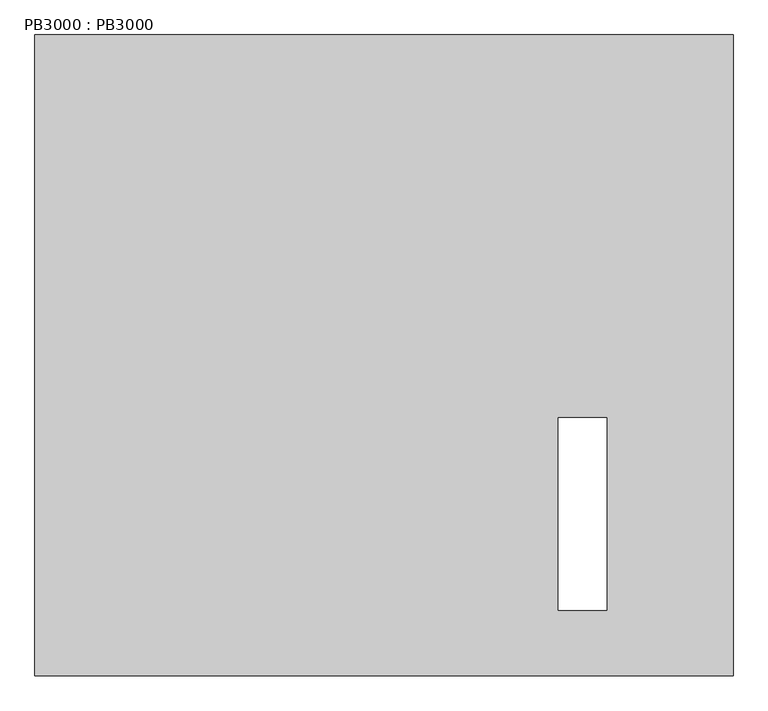
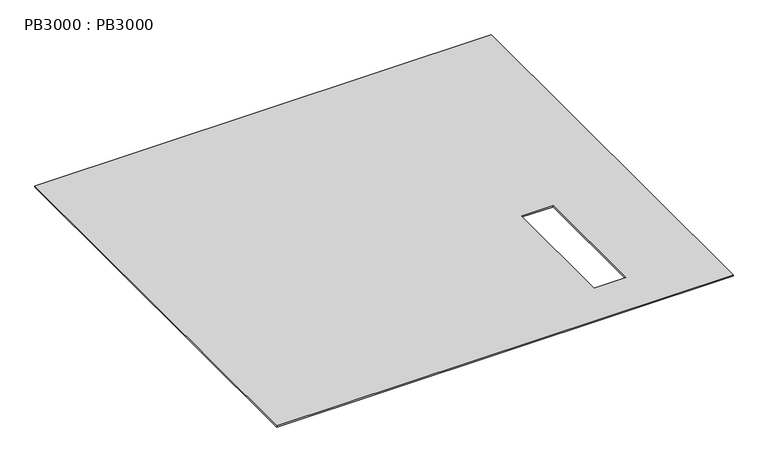
"""IFC4 building model written with IfcOpenShell, lengths in millimetres: proxy geometry, PB3000 : PB3000."""

from ifc_helpers import new_model, si_unit, origin, origin_with_axes, place, context, project, spatial, polyline, outline, extrude, source, transform, mapped, element, save


def pb3000_pb3000_ff5cec24(model_context):
    return source(origin(), model_context, "Body", "SweptSolid", [
        extrude(outline(polyline([(4358.0, 0.0), (4358.0, -4000.0), (0.0, -4000.0), (0.0, 0.0), (4358.0, 0.0)]), holes=[polyline([(3568.0, -2390.0), (3268.0, -2390.0), (3268.0, -3590.0), (3568.0, -3590.0), (3568.0, -2390.0)])]), origin_with_axes(), (0.0, 0.0, 1.0), 12.5),
    ])


if __name__ == "__main__":
    model = new_model("IFC4")
    model_context = context("Model", 3, world=origin())
    ifc_project = project(units=[si_unit("LENGTHUNIT", "METRE", prefix="MILLI")], contexts=[model_context])
    site = spatial("IfcSite", under=ifc_project)
    building = spatial("IfcBuilding", under=site)
    placement = place(None, origin())
    pb3000_pb3000_shape = pb3000_pb3000_ff5cec24(model_context)
    element("IfcBuildingElementProxy", 1, Name="PB3000 : PB3000", ObjectType="PB3000 : PB3000", at=placement, inside=building, context=model_context, shape_type="MappedRepresentation", body=[
        mapped(pb3000_pb3000_shape, transform((0.0, 0.0, 0.0), x_axis=(1.0, 0.0, 0.0), y_axis=(0.0, 1.0, 0.0), z_axis=(0.0, 0.0, 1.0))),
    ])
    save(model, "model.ifc")
